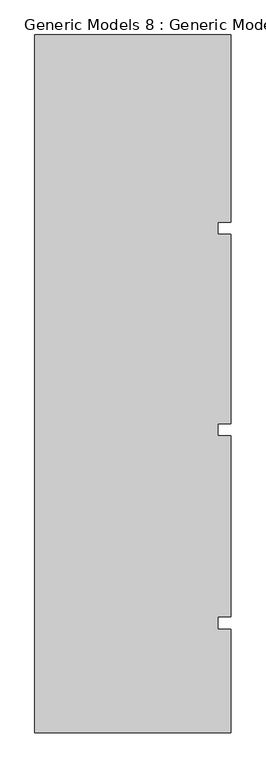
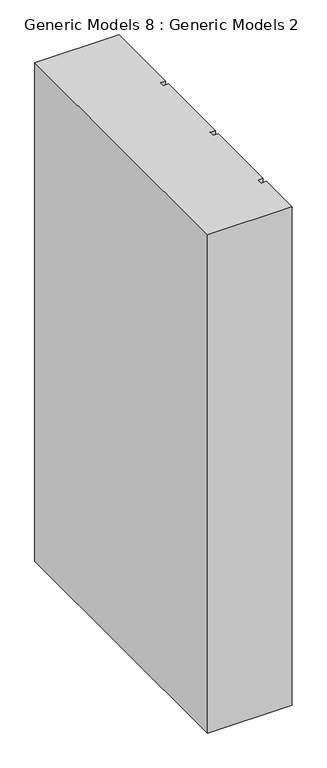
"""IFC4 building model written with IfcOpenShell, lengths in millimetres: proxy geometry, Generic Models 8 : Generic Models 2."""

from ifc_helpers import new_model, si_unit, frame, origin, place, context, project, spatial, polyline, outline, extrude, source, transform, mapped, element, save


def generic_models_8_generic_models_2_c957240a(model_context):
    return source(origin(), model_context, "Body", "SweptSolid", [
        extrude(outline(polyline([(6158.9891931, -239.4418036), (6646.0314083, -239.4418036), (6646.0314083, -703.851216), (6614.3889077, -703.851216), (6614.3889077, -733.8846489), (6646.0314083, -733.8846489), (6646.0314083, -1203.851216), (6614.3889077, -1203.851216), (6614.3889077, -1233.8846489), (6646.0314083, -1233.8846489), (6646.0314083, -1683.851216), (6614.3889077, -1683.851216), (6614.3889077, -1713.8846489), (6646.0314083, -1713.8846489), (6646.0314083, -1971.439837), (6158.9891931, -1971.439837), (6158.9891931, -239.4418036)])), frame((0.0, 0.0, 3000.0), z_axis=(0.0, 0.0, 1.0), x_axis=(1.0, 0.0, 0.0)), (0.0, 0.0, 1.0), 3044.7067261),
    ])


if __name__ == "__main__":
    model = new_model("IFC4")
    model_context = context("Model", 3, world=origin())
    ifc_project = project(units=[si_unit("LENGTHUNIT", "METRE", prefix="MILLI")], contexts=[model_context])
    site = spatial("IfcSite", under=ifc_project)
    building = spatial("IfcBuilding", under=site)
    placement = place(None, origin())
    generic_models_8_generic_models_2_shape = generic_models_8_generic_models_2_c957240a(model_context)
    element("IfcBuildingElementProxy", 1, Name="Generic Models 8 : Generic Models 2", ObjectType="Generic Models 8 : Generic Models 2", at=placement, inside=building, context=model_context, shape_type="MappedRepresentation", body=[
        mapped(generic_models_8_generic_models_2_shape, transform((0.0, 0.0, 0.0), x_axis=(1.0, 0.0, 0.0), y_axis=(0.0, 1.0, 0.0), z_axis=(0.0, 0.0, 1.0))),
    ])
    save(model, "model.ifc")
